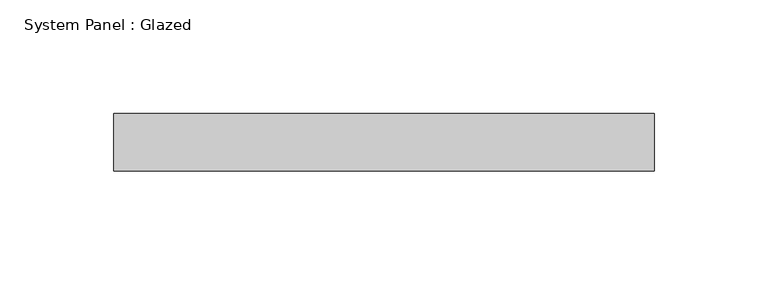
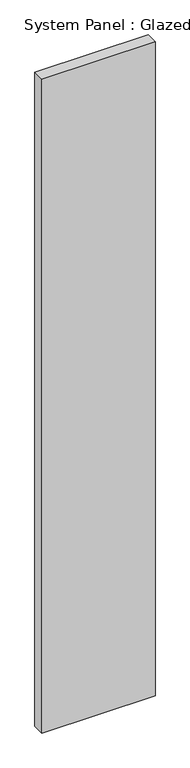
"""IFC4 building model written with IfcOpenShell, lengths in millimetres: plate geometry, System Panel : Glazed."""

from ifc_helpers import new_model, si_unit, origin, origin_with_axes, place, context, project, spatial, polyline, outline, extrude, source, transform, mapped, element, save


def system_panel_glazed_5c2de8e6(model_context):
    return source(origin(), model_context, "Body", "SweptSolid", [
        extrude(outline(polyline([(119.0625, -12.7), (-119.0625, -12.7), (-119.0625, 12.7), (119.0625, 12.7), (119.0625, -12.7)])), origin_with_axes(), (0.0, 0.0, 1.0), 1454.15),
    ])


if __name__ == "__main__":
    model = new_model("IFC4")
    model_context = context("Model", 3, world=origin())
    ifc_project = project(units=[si_unit("LENGTHUNIT", "METRE", prefix="MILLI")], contexts=[model_context])
    site = spatial("IfcSite", under=ifc_project)
    building = spatial("IfcBuilding", under=site)
    placement = place(None, origin())
    system_panel_glazed_shape = system_panel_glazed_5c2de8e6(model_context)
    element("IfcPlate", 1, ObjectType="System Panel : Glazed", at=placement, inside=building, context=model_context, shape_type="MappedRepresentation", body=[
        mapped(system_panel_glazed_shape, transform((0.0, 0.0, 0.0), x_axis=(1.0, 0.0, 0.0), y_axis=(0.0, 1.0, 0.0), z_axis=(0.0, 0.0, 1.0))),
    ])
    save(model, "model.ifc")
